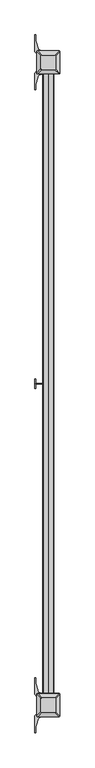
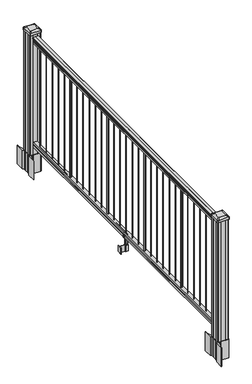
"""IFC4 building model written with IfcOpenShell, lengths in millimetres: railing geometry."""

from ifc_helpers import new_model, si_unit, point, frame, frame_2d, origin, origin_with_axes, place, context, project, spatial, polyline, circle_curve, trimmed, segment, composite_curve, outline, extrude, source, transform, mapped, element, save
from ifc_brep_helpers import plane_surface, extruded_surface, advanced_brep


def railing_23256998(model_context):
    return source(origin(), model_context, "Body", "SolidModel", [
        extrude(outline(composite_curve([segment(polyline([(938.4043297, 949.2470786), (940.292412, 949.2470786)]), True, "CONTINUOUS"), segment(trimmed(circle_curve(frame_2d((946.0506383, 942.9323253)), 8.545951), [point((940.292412, 949.2470786))], [point((941.8546695, 950.3772649))], False, "CARTESIAN"), True, "CONTINUOUS"), segment(trimmed(circle_curve(frame_2d((945.4636577, 943.3693883)), 7.882584), [point((941.8546695, 950.3772649))], [point((949.0726458, 950.3772649))], False, "CARTESIAN"), True, "CONTINUOUS"), segment(trimmed(circle_curve(frame_2d((951.3112527, 953.8827124)), 4.1592695), [point((949.0726458, 950.3772649))], [point((951.5060812, 949.7280085))], True, "CARTESIAN"), True, "CONTINUOUS"), segment(trimmed(circle_curve(frame_2d((951.2508864, 955.1700189)), 5.4479907), [point((951.5060812, 949.7280085))], [point((955.8362083, 952.2280085))], True, "CARTESIAN"), True, "CONTINUOUS"), segment(trimmed(circle_curve(frame_2d((955.833395, 953.9368605)), 1.7088543), [point((955.8362083, 952.2280085))], [point((957.5157972, 953.6373509))], True, "CARTESIAN"), True, "CONTINUOUS"), segment(trimmed(circle_curve(frame_2d((958.6205318, 952.3199604)), 1.7192895), [point((957.5157972, 953.6373509))], [point((958.6205318, 954.0392499))], False, "CARTESIAN"), True, "CONTINUOUS"), segment(polyline([(958.6205318, 954.0392499), (959.9608158, 954.0392498)]), True, "CONTINUOUS"), segment(trimmed(circle_curve(frame_2d((959.9608158, 952.4858026)), 1.5534472), [point((959.9608158, 954.0392498))], [point((961.514263, 952.4858026))], False, "CARTESIAN"), True, "CONTINUOUS"), segment(polyline([(961.514263, 952.4858026), (961.514263, 931.8142498), (961.514263, 911.1426971)]), True, "CONTINUOUS"), segment(trimmed(circle_curve(frame_2d((959.9608158, 911.1426971)), 1.5534472), [point((961.514263, 911.1426971))], [point((959.9608158, 909.5892498))], False, "CARTESIAN"), True, "CONTINUOUS"), segment(polyline([(959.9608158, 909.5892498), (958.6205318, 909.5892498)]), True, "CONTINUOUS"), segment(trimmed(circle_curve(frame_2d((958.6205318, 911.3085393)), 1.7192895), [point((958.6205318, 909.5892498))], [point((957.5157972, 909.9911488))], False, "CARTESIAN"), True, "CONTINUOUS"), segment(trimmed(circle_curve(frame_2d((955.833395, 909.6916392)), 1.7088543), [point((957.5157972, 909.9911488))], [point((955.8362083, 911.4004912))], True, "CARTESIAN"), True, "CONTINUOUS"), segment(trimmed(circle_curve(frame_2d((951.2508864, 908.4584807)), 5.4479907), [point((955.8362083, 911.4004912))], [point((951.5060812, 913.9004912))], True, "CARTESIAN"), True, "CONTINUOUS"), segment(trimmed(circle_curve(frame_2d((951.3112527, 909.7457873)), 4.1592695), [point((951.5060812, 913.9004912))], [point((949.0726458, 913.2512348))], True, "CARTESIAN"), True, "CONTINUOUS"), segment(trimmed(circle_curve(frame_2d((945.4636577, 920.2591114)), 7.882584), [point((949.0726458, 913.2512348))], [point((941.8546695, 913.2512348))], False, "CARTESIAN"), True, "CONTINUOUS"), segment(trimmed(circle_curve(frame_2d((946.0506383, 920.6961744)), 8.545951), [point((941.8546695, 913.2512348))], [point((940.292412, 914.3814211))], False, "CARTESIAN"), True, "CONTINUOUS"), segment(polyline([(940.292412, 914.3814211), (938.4043297, 914.3814211)]), True, "CONTINUOUS"), segment(trimmed(circle_curve(frame_2d((938.4043297, 915.6683355)), 1.2869144), [point((938.4043297, 914.3814211))], [point((938.4043297, 916.9552498))], False, "CARTESIAN"), True, "CONTINUOUS"), segment(polyline([(938.4043297, 916.9552498), (927.9048283, 916.9552498), (926.8888283, 915.9392498), (914.4, 915.9392498), (914.4, 947.6892498), (926.731013, 947.6892498), (927.747013, 946.6732498), (938.4043297, 946.6732498)]), True, "CONTINUOUS"), segment(trimmed(circle_curve(frame_2d((938.4043297, 947.9601642)), 1.2869144), [point((938.4043297, 946.6732498))], [point((938.4043297, 949.2470786))], False, "CARTESIAN"), True, "CONTINUOUS")], self_intersect=False)), frame((0.0, -86297.7191011, 0.0), z_axis=(0.0, 1.0, 0.0), x_axis=(0.0, 0.0, 1.0)), (0.0, 0.0, 1.0), 2438.4),
        extrude(outline(polyline([(76.0541976, 947.7267367), (77.3546183, 946.7107367), (87.7141717, 946.7107367), (89.0624492, 947.7267367), (101.5958781, 947.7267367), (101.5958781, 915.9767367), (89.0458024, 915.9767367), (87.6975248, 916.9927367), (77.3858283, 916.9927367), (76.0375508, 915.9767367), (63.5, 915.9767367), (63.5, 947.7267367), (76.0541976, 947.7267367)])), frame((0.0, -86297.7191011, 0.0), z_axis=(0.0, 1.0, 0.0), x_axis=(0.0, 0.0, 1.0)), (0.0, 0.0, 1.0), 2438.4),
        extrude(outline(composite_curve([segment(trimmed(circle_curve(frame_2d((931.8142498, -83922.8191011)), 1.5875), [point((933.4017498, -83922.8191011))], [point((931.8142498, -83924.4066011))], False, "CARTESIAN"), True, "CONTINUOUS"), segment(trimmed(circle_curve(frame_2d((931.8142498, -83922.8191011)), 1.5875), [point((931.8142498, -83924.4066011))], [point((930.2267498, -83922.8191011))], False, "CARTESIAN"), True, "CONTINUOUS"), segment(trimmed(circle_curve(frame_2d((931.8142498, -83922.8191011)), 1.5875), [point((930.2267498, -83922.8191011))], [point((931.8142498, -83921.2316011))], False, "CARTESIAN"), True, "CONTINUOUS"), segment(trimmed(circle_curve(frame_2d((931.8142498, -83922.8191011)), 1.5875), [point((931.8142498, -83921.2316011))], [point((933.4017498, -83922.8191011))], False, "CARTESIAN"), True, "CONTINUOUS")], self_intersect=False)), frame((0.0, 0.0, 101.5958781), z_axis=(0.0, 0.0, 1.0), x_axis=(1.0, 0.0, 0.0)), (0.0, 0.0, 1.0), 812.8041219),
        extrude(outline(composite_curve([segment(trimmed(circle_curve(frame_2d((931.8142498, -84005.3691011)), 1.5875), [point((933.4017498, -84005.3691011))], [point((931.8142498, -84006.9566011))], False, "CARTESIAN"), True, "CONTINUOUS"), segment(trimmed(circle_curve(frame_2d((931.8142498, -84005.3691011)), 1.5875), [point((931.8142498, -84006.9566011))], [point((930.2267498, -84005.3691011))], False, "CARTESIAN"), True, "CONTINUOUS"), segment(trimmed(circle_curve(frame_2d((931.8142498, -84005.3691011)), 1.5875), [point((930.2267498, -84005.3691011))], [point((931.8142498, -84003.7816011))], False, "CARTESIAN"), True, "CONTINUOUS"), segment(trimmed(circle_curve(frame_2d((931.8142498, -84005.3691011)), 1.5875), [point((931.8142498, -84003.7816011))], [point((933.4017498, -84005.3691011))], False, "CARTESIAN"), True, "CONTINUOUS")], self_intersect=False)), frame((0.0, 0.0, 101.5958781), z_axis=(0.0, 0.0, 1.0), x_axis=(1.0, 0.0, 0.0)), (0.0, 0.0, 1.0), 812.8041219),
        extrude(outline(composite_curve([segment(trimmed(circle_curve(frame_2d((931.8142498, -84087.9191011)), 1.5875), [point((933.4017498, -84087.9191011))], [point((931.8142498, -84089.5066011))], False, "CARTESIAN"), True, "CONTINUOUS"), segment(trimmed(circle_curve(frame_2d((931.8142498, -84087.9191011)), 1.5875), [point((931.8142498, -84089.5066011))], [point((930.2267498, -84087.9191011))], False, "CARTESIAN"), True, "CONTINUOUS"), segment(trimmed(circle_curve(frame_2d((931.8142498, -84087.9191011)), 1.5875), [point((930.2267498, -84087.9191011))], [point((931.8142498, -84086.3316011))], False, "CARTESIAN"), True, "CONTINUOUS"), segment(trimmed(circle_curve(frame_2d((931.8142498, -84087.9191011)), 1.5875), [point((931.8142498, -84086.3316011))], [point((933.4017498, -84087.9191011))], False, "CARTESIAN"), True, "CONTINUOUS")], self_intersect=False)), frame((0.0, 0.0, 101.5958781), z_axis=(0.0, 0.0, 1.0), x_axis=(1.0, 0.0, 0.0)), (0.0, 0.0, 1.0), 812.8041219),
        extrude(outline(composite_curve([segment(trimmed(circle_curve(frame_2d((931.8142498, -84170.4691011)), 1.5875), [point((933.4017498, -84170.4691011))], [point((931.8142498, -84172.0566011))], False, "CARTESIAN"), True, "CONTINUOUS"), segment(trimmed(circle_curve(frame_2d((931.8142498, -84170.4691011)), 1.5875), [point((931.8142498, -84172.0566011))], [point((930.2267498, -84170.4691011))], False, "CARTESIAN"), True, "CONTINUOUS"), segment(trimmed(circle_curve(frame_2d((931.8142498, -84170.4691011)), 1.5875), [point((930.2267498, -84170.4691011))], [point((931.8142498, -84168.8816011))], False, "CARTESIAN"), True, "CONTINUOUS"), segment(trimmed(circle_curve(frame_2d((931.8142498, -84170.4691011)), 1.5875), [point((931.8142498, -84168.8816011))], [point((933.4017498, -84170.4691011))], False, "CARTESIAN"), True, "CONTINUOUS")], self_intersect=False)), frame((0.0, 0.0, 101.5958781), z_axis=(0.0, 0.0, 1.0), x_axis=(1.0, 0.0, 0.0)), (0.0, 0.0, 1.0), 812.8041219),
        extrude(outline(composite_curve([segment(trimmed(circle_curve(frame_2d((931.8142498, -84253.0191011)), 1.5875), [point((933.4017498, -84253.0191011))], [point((931.8142498, -84254.6066011))], False, "CARTESIAN"), True, "CONTINUOUS"), segment(trimmed(circle_curve(frame_2d((931.8142498, -84253.0191011)), 1.5875), [point((931.8142498, -84254.6066011))], [point((930.2267498, -84253.0191011))], False, "CARTESIAN"), True, "CONTINUOUS"), segment(trimmed(circle_curve(frame_2d((931.8142498, -84253.0191011)), 1.5875), [point((930.2267498, -84253.0191011))], [point((931.8142498, -84251.4316011))], False, "CARTESIAN"), True, "CONTINUOUS"), segment(trimmed(circle_curve(frame_2d((931.8142498, -84253.0191011)), 1.5875), [point((931.8142498, -84251.4316011))], [point((933.4017498, -84253.0191011))], False, "CARTESIAN"), True, "CONTINUOUS")], self_intersect=False)), frame((0.0, 0.0, 101.5958781), z_axis=(0.0, 0.0, 1.0), x_axis=(1.0, 0.0, 0.0)), (0.0, 0.0, 1.0), 812.8041219),
        extrude(outline(composite_curve([segment(trimmed(circle_curve(frame_2d((931.8142498, -84335.5691011)), 6.35), [point((938.1642498, -84335.5691011))], [point((931.8142498, -84341.9191011))], False, "CARTESIAN"), True, "CONTINUOUS"), segment(trimmed(circle_curve(frame_2d((931.8142498, -84335.5691011)), 6.35), [point((931.8142498, -84341.9191011))], [point((925.4642498, -84335.5691011))], False, "CARTESIAN"), True, "CONTINUOUS"), segment(trimmed(circle_curve(frame_2d((931.8142498, -84335.5691011)), 6.35), [point((925.4642498, -84335.5691011))], [point((931.8142498, -84329.2191011))], False, "CARTESIAN"), True, "CONTINUOUS"), segment(trimmed(circle_curve(frame_2d((931.8142498, -84335.5691011)), 6.35), [point((931.8142498, -84329.2191011))], [point((938.1642498, -84335.5691011))], False, "CARTESIAN"), True, "CONTINUOUS")], self_intersect=False)), frame((0.0, 0.0, 101.5958781), z_axis=(0.0, 0.0, 1.0), x_axis=(1.0, 0.0, 0.0)), (0.0, 0.0, 1.0), 812.8041219),
        extrude(outline(composite_curve([segment(trimmed(circle_curve(frame_2d((931.8142498, -84418.1191011)), 1.5875), [point((933.4017498, -84418.1191011))], [point((931.8142498, -84419.7066011))], False, "CARTESIAN"), True, "CONTINUOUS"), segment(trimmed(circle_curve(frame_2d((931.8142498, -84418.1191011)), 1.5875), [point((931.8142498, -84419.7066011))], [point((930.2267498, -84418.1191011))], False, "CARTESIAN"), True, "CONTINUOUS"), segment(trimmed(circle_curve(frame_2d((931.8142498, -84418.1191011)), 1.5875), [point((930.2267498, -84418.1191011))], [point((931.8142498, -84416.5316011))], False, "CARTESIAN"), True, "CONTINUOUS"), segment(trimmed(circle_curve(frame_2d((931.8142498, -84418.1191011)), 1.5875), [point((931.8142498, -84416.5316011))], [point((933.4017498, -84418.1191011))], False, "CARTESIAN"), True, "CONTINUOUS")], self_intersect=False)), frame((0.0, 0.0, 101.5958781), z_axis=(0.0, 0.0, 1.0), x_axis=(1.0, 0.0, 0.0)), (0.0, 0.0, 1.0), 812.8041219),
        extrude(outline(composite_curve([segment(trimmed(circle_curve(frame_2d((931.8142498, -84500.6691011)), 1.5875), [point((933.4017498, -84500.6691011))], [point((931.8142498, -84502.2566011))], False, "CARTESIAN"), True, "CONTINUOUS"), segment(trimmed(circle_curve(frame_2d((931.8142498, -84500.6691011)), 1.5875), [point((931.8142498, -84502.2566011))], [point((930.2267498, -84500.6691011))], False, "CARTESIAN"), True, "CONTINUOUS"), segment(trimmed(circle_curve(frame_2d((931.8142498, -84500.6691011)), 1.5875), [point((930.2267498, -84500.6691011))], [point((931.8142498, -84499.0816011))], False, "CARTESIAN"), True, "CONTINUOUS"), segment(trimmed(circle_curve(frame_2d((931.8142498, -84500.6691011)), 1.5875), [point((931.8142498, -84499.0816011))], [point((933.4017498, -84500.6691011))], False, "CARTESIAN"), True, "CONTINUOUS")], self_intersect=False)), frame((0.0, 0.0, 101.5958781), z_axis=(0.0, 0.0, 1.0), x_axis=(1.0, 0.0, 0.0)), (0.0, 0.0, 1.0), 812.8041219),
        extrude(outline(composite_curve([segment(trimmed(circle_curve(frame_2d((931.8142498, -84583.2191011)), 1.5875), [point((933.4017498, -84583.2191011))], [point((931.8142498, -84584.8066011))], False, "CARTESIAN"), True, "CONTINUOUS"), segment(trimmed(circle_curve(frame_2d((931.8142498, -84583.2191011)), 1.5875), [point((931.8142498, -84584.8066011))], [point((930.2267498, -84583.2191011))], False, "CARTESIAN"), True, "CONTINUOUS"), segment(trimmed(circle_curve(frame_2d((931.8142498, -84583.2191011)), 1.5875), [point((930.2267498, -84583.2191011))], [point((931.8142498, -84581.6316011))], False, "CARTESIAN"), True, "CONTINUOUS"), segment(trimmed(circle_curve(frame_2d((931.8142498, -84583.2191011)), 1.5875), [point((931.8142498, -84581.6316011))], [point((933.4017498, -84583.2191011))], False, "CARTESIAN"), True, "CONTINUOUS")], self_intersect=False)), frame((0.0, 0.0, 101.5958781), z_axis=(0.0, 0.0, 1.0), x_axis=(1.0, 0.0, 0.0)), (0.0, 0.0, 1.0), 812.8041219),
        extrude(outline(composite_curve([segment(trimmed(circle_curve(frame_2d((931.8142498, -84665.7691011)), 1.5875), [point((933.4017498, -84665.7691011))], [point((931.8142498, -84667.3566011))], False, "CARTESIAN"), True, "CONTINUOUS"), segment(trimmed(circle_curve(frame_2d((931.8142498, -84665.7691011)), 1.5875), [point((931.8142498, -84667.3566011))], [point((930.2267498, -84665.7691011))], False, "CARTESIAN"), True, "CONTINUOUS"), segment(trimmed(circle_curve(frame_2d((931.8142498, -84665.7691011)), 1.5875), [point((930.2267498, -84665.7691011))], [point((931.8142498, -84664.1816011))], False, "CARTESIAN"), True, "CONTINUOUS"), segment(trimmed(circle_curve(frame_2d((931.8142498, -84665.7691011)), 1.5875), [point((931.8142498, -84664.1816011))], [point((933.4017498, -84665.7691011))], False, "CARTESIAN"), True, "CONTINUOUS")], self_intersect=False)), frame((0.0, 0.0, 101.5958781), z_axis=(0.0, 0.0, 1.0), x_axis=(1.0, 0.0, 0.0)), (0.0, 0.0, 1.0), 812.8041219),
        extrude(outline(composite_curve([segment(trimmed(circle_curve(frame_2d((931.8142498, -84748.3191011)), 1.5875), [point((933.4017498, -84748.3191011))], [point((931.8142498, -84749.9066011))], False, "CARTESIAN"), True, "CONTINUOUS"), segment(trimmed(circle_curve(frame_2d((931.8142498, -84748.3191011)), 1.5875), [point((931.8142498, -84749.9066011))], [point((930.2267498, -84748.3191011))], False, "CARTESIAN"), True, "CONTINUOUS"), segment(trimmed(circle_curve(frame_2d((931.8142498, -84748.3191011)), 1.5875), [point((930.2267498, -84748.3191011))], [point((931.8142498, -84746.7316011))], False, "CARTESIAN"), True, "CONTINUOUS"), segment(trimmed(circle_curve(frame_2d((931.8142498, -84748.3191011)), 1.5875), [point((931.8142498, -84746.7316011))], [point((933.4017498, -84748.3191011))], False, "CARTESIAN"), True, "CONTINUOUS")], self_intersect=False)), frame((0.0, 0.0, 101.5958781), z_axis=(0.0, 0.0, 1.0), x_axis=(1.0, 0.0, 0.0)), (0.0, 0.0, 1.0), 812.8041219),
        extrude(outline(composite_curve([segment(trimmed(circle_curve(frame_2d((931.8142498, -84830.8691011)), 6.35), [point((938.1642498, -84830.8691011))], [point((931.8142498, -84837.2191011))], False, "CARTESIAN"), True, "CONTINUOUS"), segment(trimmed(circle_curve(frame_2d((931.8142498, -84830.8691011)), 6.35), [point((931.8142498, -84837.2191011))], [point((925.4642498, -84830.8691011))], False, "CARTESIAN"), True, "CONTINUOUS"), segment(trimmed(circle_curve(frame_2d((931.8142498, -84830.8691011)), 6.35), [point((925.4642498, -84830.8691011))], [point((931.8142498, -84824.5191011))], False, "CARTESIAN"), True, "CONTINUOUS"), segment(trimmed(circle_curve(frame_2d((931.8142498, -84830.8691011)), 6.35), [point((931.8142498, -84824.5191011))], [point((938.1642498, -84830.8691011))], False, "CARTESIAN"), True, "CONTINUOUS")], self_intersect=False)), frame((0.0, 0.0, 101.5958781), z_axis=(0.0, 0.0, 1.0), x_axis=(1.0, 0.0, 0.0)), (0.0, 0.0, 1.0), 812.8041219),
        extrude(outline(composite_curve([segment(trimmed(circle_curve(frame_2d((931.8142498, -84913.4191011)), 1.5875), [point((933.4017498, -84913.4191011))], [point((931.8142498, -84915.0066011))], False, "CARTESIAN"), True, "CONTINUOUS"), segment(trimmed(circle_curve(frame_2d((931.8142498, -84913.4191011)), 1.5875), [point((931.8142498, -84915.0066011))], [point((930.2267498, -84913.4191011))], False, "CARTESIAN"), True, "CONTINUOUS"), segment(trimmed(circle_curve(frame_2d((931.8142498, -84913.4191011)), 1.5875), [point((930.2267498, -84913.4191011))], [point((931.8142498, -84911.8316011))], False, "CARTESIAN"), True, "CONTINUOUS"), segment(trimmed(circle_curve(frame_2d((931.8142498, -84913.4191011)), 1.5875), [point((931.8142498, -84911.8316011))], [point((933.4017498, -84913.4191011))], False, "CARTESIAN"), True, "CONTINUOUS")], self_intersect=False)), frame((0.0, 0.0, 101.5958781), z_axis=(0.0, 0.0, 1.0), x_axis=(1.0, 0.0, 0.0)), (0.0, 0.0, 1.0), 812.8041219),
        extrude(outline(composite_curve([segment(trimmed(circle_curve(frame_2d((931.8142498, -84995.9691011)), 1.5875), [point((933.4017498, -84995.9691011))], [point((931.8142498, -84997.5566011))], False, "CARTESIAN"), True, "CONTINUOUS"), segment(trimmed(circle_curve(frame_2d((931.8142498, -84995.9691011)), 1.5875), [point((931.8142498, -84997.5566011))], [point((930.2267498, -84995.9691011))], False, "CARTESIAN"), True, "CONTINUOUS"), segment(trimmed(circle_curve(frame_2d((931.8142498, -84995.9691011)), 1.5875), [point((930.2267498, -84995.9691011))], [point((931.8142498, -84994.3816011))], False, "CARTESIAN"), True, "CONTINUOUS"), segment(trimmed(circle_curve(frame_2d((931.8142498, -84995.9691011)), 1.5875), [point((931.8142498, -84994.3816011))], [point((933.4017498, -84995.9691011))], False, "CARTESIAN"), True, "CONTINUOUS")], self_intersect=False)), frame((0.0, 0.0, 101.5958781), z_axis=(0.0, 0.0, 1.0), x_axis=(1.0, 0.0, 0.0)), (0.0, 0.0, 1.0), 812.8041219),
        extrude(outline(polyline([(921.1462501, -85079.7891011), (881.7762498, -85079.7891011), (881.7762498, -85077.2491011), (921.1462501, -85077.2491011), (921.1462501, -85079.7891011)])), frame((0.0, 0.0, -50.8), z_axis=(0.0, 0.0, 1.0), x_axis=(1.0, 0.0, 0.0)), (0.0, 0.0, 1.0), 50.8),
        extrude(outline(polyline([(881.7762498, -85097.5691011), (879.2362498, -85097.5691011), (879.2362498, -85059.4691011), (881.7762498, -85059.4691011), (881.7762498, -85097.5691011)])), frame((0.0, 0.0, -50.8), z_axis=(0.0, 0.0, 1.0), x_axis=(1.0, 0.0, 0.0)), (0.0, 0.0, 1.0), 50.8),
        extrude(outline(polyline([(942.4822506, -85088.4251011), (921.1462501, -85088.4251011), (921.1462501, -85068.6131011), (942.4822506, -85068.6131011), (942.4822506, -85088.4251011)]), holes=[polyline([(939.1802505, -85085.8851011), (939.1802505, -85071.1531011), (924.4482501, -85071.1531011), (924.4482501, -85085.8851011), (939.1802505, -85085.8851011)])]), frame((0.0, 0.0, -50.8), z_axis=(0.0, 0.0, 1.0), x_axis=(1.0, 0.0, 0.0)), (0.0, 0.0, 1.0), 50.8),
        extrude(outline(polyline([(88.7203979, 913.653251), (87.9583969, 912.89125), (61.4680023, 912.89125), (60.7060013, 913.653251), (60.7060013, 923.6862501), (59.9440012, 924.4482501), (-3.5559988, 924.4482501), (-3.5559988, 939.1802505), (59.9440012, 939.1802505), (60.7060013, 939.9422506), (60.7060013, 949.9752496), (61.4680023, 950.7372507), (87.9583969, 950.7372507), (88.7203979, 949.9752496), (88.7203979, 947.94325), (87.7043953, 946.9272502), (77.2686081, 946.9272502), (76.2526073, 947.94325), (64.262001, 947.94325), (63.5000019, 947.1812509), (63.5000019, 916.4472497), (64.262001, 915.6852506), (76.2526073, 915.6852506), (77.2686081, 916.7012504), (87.7043953, 916.7012504), (88.7203979, 915.6852506), (88.7203979, 913.653251)]), holes=[polyline([(60.7060013, 935.2432502), (59.9440012, 936.0052503), (3.9370031, 936.0052503), (3.1750031, 935.2432502), (3.1750031, 928.3852476), (3.9370003, 927.6232503), (59.9440012, 927.6232503), (60.7060013, 928.3852504), (60.7060013, 935.2432502)])]), frame((0.0, -85085.8851011, 0.0), z_axis=(0.0, 1.0, 0.0), x_axis=(0.0, 0.0, 1.0)), (0.0, 0.0, 1.0), 14.732),
        extrude(outline(composite_curve([segment(trimmed(circle_curve(frame_2d((931.8142498, -85078.5191011)), 1.5875), [point((933.4017498, -85078.5191011))], [point((931.8142498, -85080.1066011))], False, "CARTESIAN"), True, "CONTINUOUS"), segment(trimmed(circle_curve(frame_2d((931.8142498, -85078.5191011)), 1.5875), [point((931.8142498, -85080.1066011))], [point((930.2267498, -85078.5191011))], False, "CARTESIAN"), True, "CONTINUOUS"), segment(trimmed(circle_curve(frame_2d((931.8142498, -85078.5191011)), 1.5875), [point((930.2267498, -85078.5191011))], [point((931.8142498, -85076.9316011))], False, "CARTESIAN"), True, "CONTINUOUS"), segment(trimmed(circle_curve(frame_2d((931.8142498, -85078.5191011)), 1.5875), [point((931.8142498, -85076.9316011))], [point((933.4017498, -85078.5191011))], False, "CARTESIAN"), True, "CONTINUOUS")], self_intersect=False)), frame((0.0, 0.0, 101.5958781), z_axis=(0.0, 0.0, 1.0), x_axis=(1.0, 0.0, 0.0)), (0.0, 0.0, 1.0), 812.8041219),
        extrude(outline(composite_curve([segment(trimmed(circle_curve(frame_2d((931.8142498, -85161.0691011)), 1.5875), [point((933.4017498, -85161.0691011))], [point((931.8142498, -85162.6566011))], False, "CARTESIAN"), True, "CONTINUOUS"), segment(trimmed(circle_curve(frame_2d((931.8142498, -85161.0691011)), 1.5875), [point((931.8142498, -85162.6566011))], [point((930.2267498, -85161.0691011))], False, "CARTESIAN"), True, "CONTINUOUS"), segment(trimmed(circle_curve(frame_2d((931.8142498, -85161.0691011)), 1.5875), [point((930.2267498, -85161.0691011))], [point((931.8142498, -85159.4816011))], False, "CARTESIAN"), True, "CONTINUOUS"), segment(trimmed(circle_curve(frame_2d((931.8142498, -85161.0691011)), 1.5875), [point((931.8142498, -85159.4816011))], [point((933.4017498, -85161.0691011))], False, "CARTESIAN"), True, "CONTINUOUS")], self_intersect=False)), frame((0.0, 0.0, 101.5958781), z_axis=(0.0, 0.0, 1.0), x_axis=(1.0, 0.0, 0.0)), (0.0, 0.0, 1.0), 812.8041219),
        extrude(outline(composite_curve([segment(trimmed(circle_curve(frame_2d((931.8142498, -85243.6191011)), 1.5875), [point((933.4017498, -85243.6191011))], [point((931.8142498, -85245.2066011))], False, "CARTESIAN"), True, "CONTINUOUS"), segment(trimmed(circle_curve(frame_2d((931.8142498, -85243.6191011)), 1.5875), [point((931.8142498, -85245.2066011))], [point((930.2267498, -85243.6191011))], False, "CARTESIAN"), True, "CONTINUOUS"), segment(trimmed(circle_curve(frame_2d((931.8142498, -85243.6191011)), 1.5875), [point((930.2267498, -85243.6191011))], [point((931.8142498, -85242.0316011))], False, "CARTESIAN"), True, "CONTINUOUS"), segment(trimmed(circle_curve(frame_2d((931.8142498, -85243.6191011)), 1.5875), [point((931.8142498, -85242.0316011))], [point((933.4017498, -85243.6191011))], False, "CARTESIAN"), True, "CONTINUOUS")], self_intersect=False)), frame((0.0, 0.0, 101.5958781), z_axis=(0.0, 0.0, 1.0), x_axis=(1.0, 0.0, 0.0)), (0.0, 0.0, 1.0), 812.8041219),
        extrude(outline(composite_curve([segment(trimmed(circle_curve(frame_2d((931.8142498, -85326.1691011)), 6.35), [point((938.1642498, -85326.1691011))], [point((931.8142498, -85332.5191011))], False, "CARTESIAN"), True, "CONTINUOUS"), segment(trimmed(circle_curve(frame_2d((931.8142498, -85326.1691011)), 6.35), [point((931.8142498, -85332.5191011))], [point((925.4642498, -85326.1691011))], False, "CARTESIAN"), True, "CONTINUOUS"), segment(trimmed(circle_curve(frame_2d((931.8142498, -85326.1691011)), 6.35), [point((925.4642498, -85326.1691011))], [point((931.8142498, -85319.8191011))], False, "CARTESIAN"), True, "CONTINUOUS"), segment(trimmed(circle_curve(frame_2d((931.8142498, -85326.1691011)), 6.35), [point((931.8142498, -85319.8191011))], [point((938.1642498, -85326.1691011))], False, "CARTESIAN"), True, "CONTINUOUS")], self_intersect=False)), frame((0.0, 0.0, 101.5958781), z_axis=(0.0, 0.0, 1.0), x_axis=(1.0, 0.0, 0.0)), (0.0, 0.0, 1.0), 812.8041219),
        extrude(outline(composite_curve([segment(trimmed(circle_curve(frame_2d((931.8142498, -85408.7191011)), 1.5875), [point((933.4017498, -85408.7191011))], [point((931.8142498, -85410.3066011))], False, "CARTESIAN"), True, "CONTINUOUS"), segment(trimmed(circle_curve(frame_2d((931.8142498, -85408.7191011)), 1.5875), [point((931.8142498, -85410.3066011))], [point((930.2267498, -85408.7191011))], False, "CARTESIAN"), True, "CONTINUOUS"), segment(trimmed(circle_curve(frame_2d((931.8142498, -85408.7191011)), 1.5875), [point((930.2267498, -85408.7191011))], [point((931.8142498, -85407.1316011))], False, "CARTESIAN"), True, "CONTINUOUS"), segment(trimmed(circle_curve(frame_2d((931.8142498, -85408.7191011)), 1.5875), [point((931.8142498, -85407.1316011))], [point((933.4017498, -85408.7191011))], False, "CARTESIAN"), True, "CONTINUOUS")], self_intersect=False)), frame((0.0, 0.0, 101.5958781), z_axis=(0.0, 0.0, 1.0), x_axis=(1.0, 0.0, 0.0)), (0.0, 0.0, 1.0), 812.8041219),
        extrude(outline(composite_curve([segment(trimmed(circle_curve(frame_2d((931.8142498, -85491.2691011)), 1.5875), [point((933.4017498, -85491.2691011))], [point((931.8142498, -85492.8566011))], False, "CARTESIAN"), True, "CONTINUOUS"), segment(trimmed(circle_curve(frame_2d((931.8142498, -85491.2691011)), 1.5875), [point((931.8142498, -85492.8566011))], [point((930.2267498, -85491.2691011))], False, "CARTESIAN"), True, "CONTINUOUS"), segment(trimmed(circle_curve(frame_2d((931.8142498, -85491.2691011)), 1.5875), [point((930.2267498, -85491.2691011))], [point((931.8142498, -85489.6816011))], False, "CARTESIAN"), True, "CONTINUOUS"), segment(trimmed(circle_curve(frame_2d((931.8142498, -85491.2691011)), 1.5875), [point((931.8142498, -85489.6816011))], [point((933.4017498, -85491.2691011))], False, "CARTESIAN"), True, "CONTINUOUS")], self_intersect=False)), frame((0.0, 0.0, 101.5958781), z_axis=(0.0, 0.0, 1.0), x_axis=(1.0, 0.0, 0.0)), (0.0, 0.0, 1.0), 812.8041219),
        extrude(outline(composite_curve([segment(trimmed(circle_curve(frame_2d((931.8142498, -85573.8191011)), 1.5875), [point((933.4017498, -85573.8191011))], [point((931.8142498, -85575.4066011))], False, "CARTESIAN"), True, "CONTINUOUS"), segment(trimmed(circle_curve(frame_2d((931.8142498, -85573.8191011)), 1.5875), [point((931.8142498, -85575.4066011))], [point((930.2267498, -85573.8191011))], False, "CARTESIAN"), True, "CONTINUOUS"), segment(trimmed(circle_curve(frame_2d((931.8142498, -85573.8191011)), 1.5875), [point((930.2267498, -85573.8191011))], [point((931.8142498, -85572.2316011))], False, "CARTESIAN"), True, "CONTINUOUS"), segment(trimmed(circle_curve(frame_2d((931.8142498, -85573.8191011)), 1.5875), [point((931.8142498, -85572.2316011))], [point((933.4017498, -85573.8191011))], False, "CARTESIAN"), True, "CONTINUOUS")], self_intersect=False)), frame((0.0, 0.0, 101.5958781), z_axis=(0.0, 0.0, 1.0), x_axis=(1.0, 0.0, 0.0)), (0.0, 0.0, 1.0), 812.8041219),
        extrude(outline(composite_curve([segment(trimmed(circle_curve(frame_2d((931.8142498, -85656.3691011)), 1.5875), [point((933.4017498, -85656.3691011))], [point((931.8142498, -85657.9566011))], False, "CARTESIAN"), True, "CONTINUOUS"), segment(trimmed(circle_curve(frame_2d((931.8142498, -85656.3691011)), 1.5875), [point((931.8142498, -85657.9566011))], [point((930.2267498, -85656.3691011))], False, "CARTESIAN"), True, "CONTINUOUS"), segment(trimmed(circle_curve(frame_2d((931.8142498, -85656.3691011)), 1.5875), [point((930.2267498, -85656.3691011))], [point((931.8142498, -85654.7816011))], False, "CARTESIAN"), True, "CONTINUOUS"), segment(trimmed(circle_curve(frame_2d((931.8142498, -85656.3691011)), 1.5875), [point((931.8142498, -85654.7816011))], [point((933.4017498, -85656.3691011))], False, "CARTESIAN"), True, "CONTINUOUS")], self_intersect=False)), frame((0.0, 0.0, 101.5958781), z_axis=(0.0, 0.0, 1.0), x_axis=(1.0, 0.0, 0.0)), (0.0, 0.0, 1.0), 812.8041219),
        extrude(outline(composite_curve([segment(trimmed(circle_curve(frame_2d((931.8142498, -85738.9191011)), 1.5875), [point((933.4017498, -85738.9191011))], [point((931.8142498, -85740.5066011))], False, "CARTESIAN"), True, "CONTINUOUS"), segment(trimmed(circle_curve(frame_2d((931.8142498, -85738.9191011)), 1.5875), [point((931.8142498, -85740.5066011))], [point((930.2267498, -85738.9191011))], False, "CARTESIAN"), True, "CONTINUOUS"), segment(trimmed(circle_curve(frame_2d((931.8142498, -85738.9191011)), 1.5875), [point((930.2267498, -85738.9191011))], [point((931.8142498, -85737.3316011))], False, "CARTESIAN"), True, "CONTINUOUS"), segment(trimmed(circle_curve(frame_2d((931.8142498, -85738.9191011)), 1.5875), [point((931.8142498, -85737.3316011))], [point((933.4017498, -85738.9191011))], False, "CARTESIAN"), True, "CONTINUOUS")], self_intersect=False)), frame((0.0, 0.0, 101.5958781), z_axis=(0.0, 0.0, 1.0), x_axis=(1.0, 0.0, 0.0)), (0.0, 0.0, 1.0), 812.8041219),
        extrude(outline(composite_curve([segment(trimmed(circle_curve(frame_2d((931.8142498, -85821.4691011)), 6.35), [point((938.1642498, -85821.4691011))], [point((931.8142498, -85827.8191011))], False, "CARTESIAN"), True, "CONTINUOUS"), segment(trimmed(circle_curve(frame_2d((931.8142498, -85821.4691011)), 6.35), [point((931.8142498, -85827.8191011))], [point((925.4642498, -85821.4691011))], False, "CARTESIAN"), True, "CONTINUOUS"), segment(trimmed(circle_curve(frame_2d((931.8142498, -85821.4691011)), 6.35), [point((925.4642498, -85821.4691011))], [point((931.8142498, -85815.1191011))], False, "CARTESIAN"), True, "CONTINUOUS"), segment(trimmed(circle_curve(frame_2d((931.8142498, -85821.4691011)), 6.35), [point((931.8142498, -85815.1191011))], [point((938.1642498, -85821.4691011))], False, "CARTESIAN"), True, "CONTINUOUS")], self_intersect=False)), frame((0.0, 0.0, 101.5958781), z_axis=(0.0, 0.0, 1.0), x_axis=(1.0, 0.0, 0.0)), (0.0, 0.0, 1.0), 812.8041219),
        extrude(outline(composite_curve([segment(trimmed(circle_curve(frame_2d((931.8142498, -85904.0191011)), 1.5875), [point((933.4017498, -85904.0191011))], [point((931.8142498, -85905.6066011))], False, "CARTESIAN"), True, "CONTINUOUS"), segment(trimmed(circle_curve(frame_2d((931.8142498, -85904.0191011)), 1.5875), [point((931.8142498, -85905.6066011))], [point((930.2267498, -85904.0191011))], False, "CARTESIAN"), True, "CONTINUOUS"), segment(trimmed(circle_curve(frame_2d((931.8142498, -85904.0191011)), 1.5875), [point((930.2267498, -85904.0191011))], [point((931.8142498, -85902.4316011))], False, "CARTESIAN"), True, "CONTINUOUS"), segment(trimmed(circle_curve(frame_2d((931.8142498, -85904.0191011)), 1.5875), [point((931.8142498, -85902.4316011))], [point((933.4017498, -85904.0191011))], False, "CARTESIAN"), True, "CONTINUOUS")], self_intersect=False)), frame((0.0, 0.0, 101.5958781), z_axis=(0.0, 0.0, 1.0), x_axis=(1.0, 0.0, 0.0)), (0.0, 0.0, 1.0), 812.8041219),
        extrude(outline(composite_curve([segment(trimmed(circle_curve(frame_2d((931.8142498, -85986.5691011)), 1.5875), [point((933.4017498, -85986.5691011))], [point((931.8142498, -85988.1566011))], False, "CARTESIAN"), True, "CONTINUOUS"), segment(trimmed(circle_curve(frame_2d((931.8142498, -85986.5691011)), 1.5875), [point((931.8142498, -85988.1566011))], [point((930.2267498, -85986.5691011))], False, "CARTESIAN"), True, "CONTINUOUS"), segment(trimmed(circle_curve(frame_2d((931.8142498, -85986.5691011)), 1.5875), [point((930.2267498, -85986.5691011))], [point((931.8142498, -85984.9816011))], False, "CARTESIAN"), True, "CONTINUOUS"), segment(trimmed(circle_curve(frame_2d((931.8142498, -85986.5691011)), 1.5875), [point((931.8142498, -85984.9816011))], [point((933.4017498, -85986.5691011))], False, "CARTESIAN"), True, "CONTINUOUS")], self_intersect=False)), frame((0.0, 0.0, 101.5958781), z_axis=(0.0, 0.0, 1.0), x_axis=(1.0, 0.0, 0.0)), (0.0, 0.0, 1.0), 812.8041219),
        extrude(outline(composite_curve([segment(trimmed(circle_curve(frame_2d((931.8142498, -86069.1191011)), 1.5875), [point((933.4017498, -86069.1191011))], [point((931.8142498, -86070.7066011))], False, "CARTESIAN"), True, "CONTINUOUS"), segment(trimmed(circle_curve(frame_2d((931.8142498, -86069.1191011)), 1.5875), [point((931.8142498, -86070.7066011))], [point((930.2267498, -86069.1191011))], False, "CARTESIAN"), True, "CONTINUOUS"), segment(trimmed(circle_curve(frame_2d((931.8142498, -86069.1191011)), 1.5875), [point((930.2267498, -86069.1191011))], [point((931.8142498, -86067.5316011))], False, "CARTESIAN"), True, "CONTINUOUS"), segment(trimmed(circle_curve(frame_2d((931.8142498, -86069.1191011)), 1.5875), [point((931.8142498, -86067.5316011))], [point((933.4017498, -86069.1191011))], False, "CARTESIAN"), True, "CONTINUOUS")], self_intersect=False)), frame((0.0, 0.0, 101.5958781), z_axis=(0.0, 0.0, 1.0), x_axis=(1.0, 0.0, 0.0)), (0.0, 0.0, 1.0), 812.8041219),
        extrude(outline(composite_curve([segment(trimmed(circle_curve(frame_2d((931.8142498, -86151.6691011)), 1.5875), [point((933.4017498, -86151.6691011))], [point((931.8142498, -86153.2566011))], False, "CARTESIAN"), True, "CONTINUOUS"), segment(trimmed(circle_curve(frame_2d((931.8142498, -86151.6691011)), 1.5875), [point((931.8142498, -86153.2566011))], [point((930.2267498, -86151.6691011))], False, "CARTESIAN"), True, "CONTINUOUS"), segment(trimmed(circle_curve(frame_2d((931.8142498, -86151.6691011)), 1.5875), [point((930.2267498, -86151.6691011))], [point((931.8142498, -86150.0816011))], False, "CARTESIAN"), True, "CONTINUOUS"), segment(trimmed(circle_curve(frame_2d((931.8142498, -86151.6691011)), 1.5875), [point((931.8142498, -86150.0816011))], [point((933.4017498, -86151.6691011))], False, "CARTESIAN"), True, "CONTINUOUS")], self_intersect=False)), frame((0.0, 0.0, 101.5958781), z_axis=(0.0, 0.0, 1.0), x_axis=(1.0, 0.0, 0.0)), (0.0, 0.0, 1.0), 812.8041219),
        extrude(outline(composite_curve([segment(trimmed(circle_curve(frame_2d((931.8142498, -86234.2191011)), 1.5875), [point((933.4017498, -86234.2191011))], [point((931.8142498, -86235.8066011))], False, "CARTESIAN"), True, "CONTINUOUS"), segment(trimmed(circle_curve(frame_2d((931.8142498, -86234.2191011)), 1.5875), [point((931.8142498, -86235.8066011))], [point((930.2267498, -86234.2191011))], False, "CARTESIAN"), True, "CONTINUOUS"), segment(trimmed(circle_curve(frame_2d((931.8142498, -86234.2191011)), 1.5875), [point((930.2267498, -86234.2191011))], [point((931.8142498, -86232.6316011))], False, "CARTESIAN"), True, "CONTINUOUS"), segment(trimmed(circle_curve(frame_2d((931.8142498, -86234.2191011)), 1.5875), [point((931.8142498, -86232.6316011))], [point((933.4017498, -86234.2191011))], False, "CARTESIAN"), True, "CONTINUOUS")], self_intersect=False)), frame((0.0, 0.0, 101.5958781), z_axis=(0.0, 0.0, 1.0), x_axis=(1.0, 0.0, 0.0)), (0.0, 0.0, 1.0), 812.8041219),
        extrude(outline(composite_curve([segment(polyline([(974.5497498, -83835.303196), (976.1372498, -83836.065196), (976.1372498, -83858.8671241), (972.7642728, -83862.2401011), (911.304602, -83862.2401011), (911.304602, -83863.1608511), (905.9870581, -83863.1608511), (905.9870581, -83864.6151058), (900.9025284, -83864.6151058), (900.9025284, -83865.8991297), (899.2352561, -83865.8991297)]), True, "CONTINUOUS"), segment(trimmed(circle_curve(frame_2d((899.2352561, -83872.9585895)), 7.0594599), [point((899.2352561, -83865.8991297))], [point((892.4679933, -83870.9485828))], True, "CARTESIAN"), True, "CONTINUOUS"), segment(polyline([(892.4679933, -83870.9485828), (884.593799, -83897.4593119)]), True, "CONTINUOUS"), segment(trimmed(circle_curve(frame_2d((939.3783123, -83913.7313616)), 57.15), [point((884.593799, -83897.4593119))], [point((882.2283123, -83913.7313616))], True, "CARTESIAN"), True, "CONTINUOUS"), segment(polyline([(882.2283123, -83913.7313616), (882.2283123, -83925.7401011), (879.2283123, -83925.7401011), (879.2283123, -83860.6526011), (887.4912498, -83849.3143098), (887.4912498, -83836.065196), (889.0787498, -83835.303196), (889.0787498, -83800.5310063), (887.4912498, -83799.7690063), (887.4912498, -83786.5198925), (879.2283123, -83775.1816011), (879.2283123, -83710.0941011), (882.2283123, -83710.0941011), (882.2283123, -83722.1028407)]), True, "CONTINUOUS"), segment(trimmed(circle_curve(frame_2d((939.3783123, -83722.1028407)), 57.15), [point((882.2283123, -83722.1028407))], [point((884.593799, -83738.3748904))], True, "CARTESIAN"), True, "CONTINUOUS"), segment(polyline([(884.593799, -83738.3748904), (892.4679933, -83764.8856194)]), True, "CONTINUOUS"), segment(trimmed(circle_curve(frame_2d((899.2352561, -83762.8756128)), 7.0594599), [point((892.4679933, -83764.8856194))], [point((899.2352561, -83769.9350726))], True, "CARTESIAN"), True, "CONTINUOUS"), segment(polyline([(899.2352561, -83769.9350726), (900.9025284, -83769.9350726), (900.9025284, -83771.2190965), (905.9870581, -83771.2190965), (905.9870581, -83772.6733511), (911.304602, -83772.6733511), (911.304602, -83773.5941011), (972.7642728, -83773.5941011), (976.1372498, -83776.9670782), (976.1372498, -83799.7690063), (974.5497498, -83800.5310063), (974.5497498, -83835.303196)]), True, "CONTINUOUS")], self_intersect=False), holes=[polyline([(890.5392498, -83778.2296011), (890.5392498, -83857.6046011), (892.1267498, -83859.1921011), (929.0510325, -83859.1921011), (971.5017498, -83859.1921011), (973.0892498, -83857.6046011), (973.0892498, -83778.2296011), (971.5017498, -83776.6421011), (929.0510325, -83776.6421011), (892.1267498, -83776.6421011), (890.5392498, -83778.2296011)])]), frame((0.0, 0.0, -152.4), z_axis=(0.0, 0.0, 1.0), x_axis=(1.0, 0.0, 0.0)), (0.0, 0.0, 1.0), 152.4),
        advanced_brep(
        [(906.0173748, -83846.8889761, 1012.825), (957.6111248, -83846.8889761, 1012.825), (960.7861248, -83843.7139761, 1012.825), (960.7861248, -83792.1202261, 1012.825), (957.6111248, -83788.9452261, 1012.825), (906.0173748, -83788.9452261, 1012.825), (902.8423748, -83792.1202261, 1012.825), (902.8423748, -83843.7139761, 1012.825), (889.7454998, -83863.1608511, 1001.522), (886.5704998, -83859.9858511, 1001.522), (886.5704998, -83775.8483511, 1001.522), (889.7454998, -83772.6733511, 1001.522), (973.8829998, -83772.6733511, 1001.522), (977.0579998, -83775.8483511, 1001.522), (977.0579998, -83859.9858511, 1001.522), (973.8829998, -83863.1608511, 1001.522)],
        [
            (0, 1),
            (1, 2, circle_curve(frame((957.6111248, -83843.7139761, 1012.825), z_axis=(0.0, 0.0, 1.0), x_axis=(0.0, 1.0, 0.0)), 3.175)),
            (2, 3),
            (3, 4, circle_curve(frame((957.6111248, -83792.1202261, 1012.825), z_axis=(0.0, 0.0, 1.0), x_axis=(0.0, 1.0, 0.0)), 3.175)),
            (4, 5),
            (5, 6, circle_curve(frame((906.0173748, -83792.1202261, 1012.825), z_axis=(0.0, 0.0, 1.0), x_axis=(0.0, 1.0, 0.0)), 3.175)),
            (6, 7),
            (7, 0, circle_curve(frame((906.0173748, -83843.7139761, 1012.825), z_axis=(0.0, 0.0, 1.0), x_axis=(0.0, 1.0, 0.0)), 3.175)),
            (8, 9, circle_curve(frame((889.7454998, -83859.9858511, 1001.522), z_axis=(0.0, 0.0, -1.0), x_axis=(0.0, 1.0, 0.0)), 3.175)),
            (9, 10),
            (10, 11, circle_curve(frame((889.7454998, -83775.8483511, 1001.522), z_axis=(0.0, 0.0, -1.0), x_axis=(0.0, 1.0, 0.0)), 3.175)),
            (11, 12),
            (12, 13, circle_curve(frame((973.8829998, -83775.8483511, 1001.522), z_axis=(0.0, 0.0, -1.0), x_axis=(0.0, 1.0, 0.0)), 3.175)),
            (13, 14),
            (14, 15, circle_curve(frame((973.8829998, -83859.9858511, 1001.522), z_axis=(0.0, 0.0, -1.0), x_axis=(0.0, 1.0, 0.0)), 3.175)),
            (15, 8),
            (8, 0),
            (7, 9),
            (6, 10),
            (5, 11),
            (4, 12),
            (3, 13),
            (2, 14),
            (1, 15),
        ],
        [
            plane_surface(frame((931.8142498, -83817.9171011, 1012.825), z_axis=(0.0, 0.0, 1.0), x_axis=(-1.0, 0.0, 0.0))),
            plane_surface(frame((931.8142498, -83817.9171011, 1001.522), z_axis=(0.0, 0.0, -1.0), x_axis=(-1.0, 0.0, 0.0))),
            extruded_surface(trimmed(circle_curve(frame((906.0173748, -83843.7139761, 1012.825), z_axis=(0.0, 0.0, -1.0), x_axis=(0.0, 1.0, 0.0)), 3.175), [point((906.0173748, -83846.8889761, 1012.825))], [point((902.8423748, -83843.7139761, 1012.825))], True, "CARTESIAN"), (-16.271875000000023, -16.27187500000582, -11.302999999999997), 25.637972638869872),
            plane_surface(frame((886.5704998, -83817.9171011, 1001.522), z_axis=(-0.5705009161540779, 0.0, 0.8212969649690408), x_axis=(0.0, 1.0, 0.0))),
            extruded_surface(trimmed(circle_curve(frame((906.0173748, -83792.1202261, 1012.825), z_axis=(0.0, 0.0, -1.0), x_axis=(0.0, 1.0, 0.0)), 3.175), [point((902.8423748, -83792.1202261, 1012.825))], [point((906.0173748, -83788.9452261, 1012.825))], True, "CARTESIAN"), (-16.271875000000023, 16.27187500000582, -11.302999999999997), 25.637972638869872),
            plane_surface(frame((931.8142498, -83772.6733511, 1001.522), z_axis=(0.0, 0.5705009161540291, 0.8212969649690747), x_axis=(1.0, 0.0, 0.0))),
            extruded_surface(trimmed(circle_curve(frame((957.6111248, -83792.1202261, 1012.825), z_axis=(0.0, 0.0, -1.0), x_axis=(0.0, 1.0, 0.0)), 3.175), [point((957.6111248, -83788.9452261, 1012.825))], [point((960.7861248, -83792.1202261, 1012.825))], True, "CARTESIAN"), (16.271875000000023, 16.27187500000582, -11.302999999999997), 25.637972638869872),
            plane_surface(frame((977.0579998, -83817.9171011, 1001.522), z_axis=(0.5705009161540141, 0.0, 0.8212969649690851), x_axis=(0.0, -1.0, 0.0))),
            extruded_surface(trimmed(circle_curve(frame((957.6111248, -83843.7139761, 1012.825), z_axis=(0.0, 0.0, -1.0), x_axis=(0.0, 1.0, 0.0)), 3.175), [point((960.7861248, -83843.7139761, 1012.825))], [point((957.6111248, -83846.8889761, 1012.825))], True, "CARTESIAN"), (16.271875000000023, -16.27187500000582, -11.302999999999997), 25.637972638869872),
            plane_surface(frame((931.8142498, -83863.1608511, 1001.522), z_axis=(0.0, -0.570500916154034, 0.8212969649690713), x_axis=(-1.0, 0.0, 0.0))),
        ],
        [
            (0, [[1, 2, 3, 4, 5, 6, 7, 8]]),
            (1, [[9, 10, 11, 12, 13, 14, 15, 16]]),
            (2, [[17, -8, 18, -9]]),
            (3, [[-18, -7, 19, -10]]),
            (4, [[-19, -6, 20, -11]]),
            (5, [[-20, -5, 21, -12]]),
            (6, [[-21, -4, 22, -13]]),
            (7, [[-22, -3, 23, -14]]),
            (8, [[-23, -2, 24, -15]]),
            (9, [[-24, -1, -17, -16]]),
        ],
    ),
        extrude(outline(composite_curve([segment(trimmed(circle_curve(frame_2d((889.7454998, -83859.9858511)), 3.175), [point((889.7454998, -83863.1608511))], [point((886.5704998, -83859.9858511))], False, "CARTESIAN"), True, "CONTINUOUS"), segment(polyline([(886.5704998, -83859.9858511), (886.5704998, -83775.8483511)]), True, "CONTINUOUS"), segment(trimmed(circle_curve(frame_2d((889.7454998, -83775.8483511)), 3.175), [point((886.5704998, -83775.8483511))], [point((889.7454998, -83772.6733511))], False, "CARTESIAN"), True, "CONTINUOUS"), segment(polyline([(889.7454998, -83772.6733511), (973.8829998, -83772.6733511)]), True, "CONTINUOUS"), segment(trimmed(circle_curve(frame_2d((973.8829998, -83775.8483511)), 3.175), [point((973.8829998, -83772.6733511))], [point((977.0579998, -83775.8483511))], False, "CARTESIAN"), True, "CONTINUOUS"), segment(polyline([(977.0579998, -83775.8483511), (977.0579998, -83859.9858511)]), True, "CONTINUOUS"), segment(trimmed(circle_curve(frame_2d((973.8829998, -83859.9858511)), 3.175), [point((977.0579998, -83859.9858511))], [point((973.8829998, -83863.1608511))], False, "CARTESIAN"), True, "CONTINUOUS"), segment(polyline([(973.8829998, -83863.1608511), (889.7454998, -83863.1608511)]), True, "CONTINUOUS")], self_intersect=False)), frame((0.0, 0.0, 984.25), z_axis=(0.0, 0.0, 1.0), x_axis=(1.0, 0.0, 0.0)), (0.0, 0.0, 1.0), 17.272),
        extrude(outline(polyline([(892.1267498, -83859.1921011), (890.5392498, -83857.6046011), (890.5392498, -83837.9831011), (892.1267498, -83837.2211011), (892.1267498, -83798.6131011), (890.5392498, -83797.8511011), (890.5392498, -83778.2296011), (892.1267498, -83776.6421011), (911.7482498, -83776.6421011), (912.5102498, -83778.2296011), (951.1182498, -83778.2296011), (951.8802498, -83776.6421011), (971.5017498, -83776.6421011), (973.0892498, -83778.2296011), (973.0892498, -83797.8511011), (971.5017498, -83798.6131011), (971.5017498, -83837.2211011), (973.0892498, -83837.9831011), (973.0892498, -83857.6046011), (971.5017498, -83859.1921011), (951.8802498, -83859.1921011), (951.1182498, -83857.6046011), (912.5102498, -83857.6046011), (911.7482498, -83859.1921011), (892.1267498, -83859.1921011)])), origin_with_axes(), (0.0, 0.0, 1.0), 984.25),
        extrude(outline(composite_curve([segment(polyline([(974.5497498, -86356.507196), (976.1372498, -86357.269196), (976.1372498, -86380.0711241), (972.7642728, -86383.4441011), (911.304602, -86383.4441011), (911.304602, -86384.3648511), (905.9870581, -86384.3648511), (905.9870581, -86385.8191058), (900.9025284, -86385.8191058), (900.9025284, -86387.1031297), (899.2352561, -86387.1031297)]), True, "CONTINUOUS"), segment(trimmed(circle_curve(frame_2d((899.2352561, -86394.1625895)), 7.0594599), [point((899.2352561, -86387.1031297))], [point((892.4679933, -86392.1525828))], True, "CARTESIAN"), True, "CONTINUOUS"), segment(polyline([(892.4679933, -86392.1525828), (884.593799, -86418.6633119)]), True, "CONTINUOUS"), segment(trimmed(circle_curve(frame_2d((939.3783123, -86434.9353616)), 57.15), [point((884.593799, -86418.6633119))], [point((882.2283123, -86434.9353616))], True, "CARTESIAN"), True, "CONTINUOUS"), segment(polyline([(882.2283123, -86434.9353616), (882.2283123, -86446.9441011), (879.2283123, -86446.9441011), (879.2283123, -86381.8566011), (887.4912498, -86370.5183098), (887.4912498, -86357.269196), (889.0787498, -86356.507196), (889.0787498, -86321.7350063), (887.4912498, -86320.9730063), (887.4912498, -86307.7238925), (879.2283123, -86296.3856011), (879.2283123, -86231.2981011), (882.2283123, -86231.2981011), (882.2283123, -86243.3068407)]), True, "CONTINUOUS"), segment(trimmed(circle_curve(frame_2d((939.3783123, -86243.3068407)), 57.15), [point((882.2283123, -86243.3068407))], [point((884.593799, -86259.5788904))], True, "CARTESIAN"), True, "CONTINUOUS"), segment(polyline([(884.593799, -86259.5788904), (892.4679933, -86286.0896194)]), True, "CONTINUOUS"), segment(trimmed(circle_curve(frame_2d((899.2352561, -86284.0796128)), 7.0594599), [point((892.4679933, -86286.0896194))], [point((899.2352561, -86291.1390726))], True, "CARTESIAN"), True, "CONTINUOUS"), segment(polyline([(899.2352561, -86291.1390726), (900.9025284, -86291.1390726), (900.9025284, -86292.4230965), (905.9870581, -86292.4230965), (905.9870581, -86293.8773511), (911.304602, -86293.8773511), (911.304602, -86294.7981011), (972.7642728, -86294.7981011), (976.1372498, -86298.1710782), (976.1372498, -86320.9730063), (974.5497498, -86321.7350063), (974.5497498, -86356.507196)]), True, "CONTINUOUS")], self_intersect=False), holes=[polyline([(890.5392498, -86299.4336011), (890.5392498, -86378.8086011), (892.1267498, -86380.3961011), (929.0510325, -86380.3961011), (971.5017498, -86380.3961011), (973.0892498, -86378.8086011), (973.0892498, -86299.4336011), (971.5017498, -86297.8461011), (929.0510325, -86297.8461011), (892.1267498, -86297.8461011), (890.5392498, -86299.4336011)])]), frame((0.0, 0.0, -152.4), z_axis=(0.0, 0.0, 1.0), x_axis=(1.0, 0.0, 0.0)), (0.0, 0.0, 1.0), 152.4),
        advanced_brep(
        [(906.0173748, -86368.0929761, 1012.825), (957.6111248, -86368.0929761, 1012.825), (960.7861248, -86364.9179761, 1012.825), (960.7861248, -86313.3242261, 1012.825), (957.6111248, -86310.1492261, 1012.825), (906.0173748, -86310.1492261, 1012.825), (902.8423748, -86313.3242261, 1012.825), (902.8423748, -86364.9179761, 1012.825), (889.7454998, -86384.3648511, 1001.522), (886.5704998, -86381.1898511, 1001.522), (886.5704998, -86297.0523511, 1001.522), (889.7454998, -86293.8773511, 1001.522), (973.8829998, -86293.8773511, 1001.522), (977.0579998, -86297.0523511, 1001.522), (977.0579998, -86381.1898511, 1001.522), (973.8829998, -86384.3648511, 1001.522)],
        [
            (0, 1),
            (1, 2, circle_curve(frame((957.6111248, -86364.9179761, 1012.825), z_axis=(0.0, 0.0, 1.0), x_axis=(0.0, 1.0, 0.0)), 3.175)),
            (2, 3),
            (3, 4, circle_curve(frame((957.6111248, -86313.3242261, 1012.825), z_axis=(0.0, 0.0, 1.0), x_axis=(0.0, 1.0, 0.0)), 3.175)),
            (4, 5),
            (5, 6, circle_curve(frame((906.0173748, -86313.3242261, 1012.825), z_axis=(0.0, 0.0, 1.0), x_axis=(0.0, 1.0, 0.0)), 3.175)),
            (6, 7),
            (7, 0, circle_curve(frame((906.0173748, -86364.9179761, 1012.825), z_axis=(0.0, 0.0, 1.0), x_axis=(0.0, 1.0, 0.0)), 3.175)),
            (8, 9, circle_curve(frame((889.7454998, -86381.1898511, 1001.522), z_axis=(0.0, 0.0, -1.0), x_axis=(0.0, 1.0, 0.0)), 3.175)),
            (9, 10),
            (10, 11, circle_curve(frame((889.7454998, -86297.0523511, 1001.522), z_axis=(0.0, 0.0, -1.0), x_axis=(0.0, 1.0, 0.0)), 3.175)),
            (11, 12),
            (12, 13, circle_curve(frame((973.8829998, -86297.0523511, 1001.522), z_axis=(0.0, 0.0, -1.0), x_axis=(0.0, 1.0, 0.0)), 3.175)),
            (13, 14),
            (14, 15, circle_curve(frame((973.8829998, -86381.1898511, 1001.522), z_axis=(0.0, 0.0, -1.0), x_axis=(0.0, 1.0, 0.0)), 3.175)),
            (15, 8),
            (8, 0),
            (7, 9),
            (6, 10),
            (5, 11),
            (4, 12),
            (3, 13),
            (2, 14),
            (1, 15),
        ],
        [
            plane_surface(frame((931.8142498, -86339.1211011, 1012.825), z_axis=(0.0, 0.0, 1.0), x_axis=(-1.0, 0.0, 0.0))),
            plane_surface(frame((931.8142498, -86339.1211011, 1001.522), z_axis=(0.0, 0.0, -1.0), x_axis=(-1.0, 0.0, 0.0))),
            extruded_surface(trimmed(circle_curve(frame((906.0173748, -86364.9179761, 1012.825), z_axis=(0.0, 0.0, -1.0), x_axis=(0.0, 1.0, 0.0)), 3.175), [point((906.0173748, -86368.0929761, 1012.825))], [point((902.8423748, -86364.9179761, 1012.825))], True, "CARTESIAN"), (-16.271875000000023, -16.27187500000582, -11.302999999999997), 25.637972638869872),
            plane_surface(frame((886.5704998, -86339.1211011, 1001.522), z_axis=(-0.5705009161540779, 0.0, 0.8212969649690408), x_axis=(0.0, 1.0, 0.0))),
            extruded_surface(trimmed(circle_curve(frame((906.0173748, -86313.3242261, 1012.825), z_axis=(0.0, 0.0, -1.0), x_axis=(0.0, 1.0, 0.0)), 3.175), [point((902.8423748, -86313.3242261, 1012.825))], [point((906.0173748, -86310.1492261, 1012.825))], True, "CARTESIAN"), (-16.271875000000023, 16.27187499999127, -11.302999999999997), 25.637972638860635),
            plane_surface(frame((931.8142498, -86293.8773511, 1001.522), z_axis=(0.0, 0.5705009161540291, 0.8212969649690747), x_axis=(1.0, 0.0, 0.0))),
            extruded_surface(trimmed(circle_curve(frame((957.6111248, -86313.3242261, 1012.825), z_axis=(0.0, 0.0, -1.0), x_axis=(0.0, 1.0, 0.0)), 3.175), [point((957.6111248, -86310.1492261, 1012.825))], [point((960.7861248, -86313.3242261, 1012.825))], True, "CARTESIAN"), (16.271875000000023, 16.27187499999127, -11.302999999999997), 25.637972638860635),
            plane_surface(frame((977.0579998, -86339.1211011, 1001.522), z_axis=(0.5705009161540141, 0.0, 0.8212969649690851), x_axis=(0.0, -1.0, 0.0))),
            extruded_surface(trimmed(circle_curve(frame((957.6111248, -86364.9179761, 1012.825), z_axis=(0.0, 0.0, -1.0), x_axis=(0.0, 1.0, 0.0)), 3.175), [point((960.7861248, -86364.9179761, 1012.825))], [point((957.6111248, -86368.0929761, 1012.825))], True, "CARTESIAN"), (16.271875000000023, -16.27187500000582, -11.302999999999997), 25.637972638869872),
            plane_surface(frame((931.8142498, -86384.3648511, 1001.522), z_axis=(0.0, -0.570500916154034, 0.8212969649690713), x_axis=(-1.0, 0.0, 0.0))),
        ],
        [
            (0, [[1, 2, 3, 4, 5, 6, 7, 8]]),
            (1, [[9, 10, 11, 12, 13, 14, 15, 16]]),
            (2, [[17, -8, 18, -9]]),
            (3, [[-18, -7, 19, -10]]),
            (4, [[-19, -6, 20, -11]]),
            (5, [[-20, -5, 21, -12]]),
            (6, [[-21, -4, 22, -13]]),
            (7, [[-22, -3, 23, -14]]),
            (8, [[-23, -2, 24, -15]]),
            (9, [[-24, -1, -17, -16]]),
        ],
    ),
        extrude(outline(composite_curve([segment(trimmed(circle_curve(frame_2d((889.7454998, -86381.1898511)), 3.175), [point((889.7454998, -86384.3648511))], [point((886.5704998, -86381.1898511))], False, "CARTESIAN"), True, "CONTINUOUS"), segment(polyline([(886.5704998, -86381.1898511), (886.5704998, -86297.0523511)]), True, "CONTINUOUS"), segment(trimmed(circle_curve(frame_2d((889.7454998, -86297.0523511)), 3.175), [point((886.5704998, -86297.0523511))], [point((889.7454998, -86293.8773511))], False, "CARTESIAN"), True, "CONTINUOUS"), segment(polyline([(889.7454998, -86293.8773511), (973.8829998, -86293.8773511)]), True, "CONTINUOUS"), segment(trimmed(circle_curve(frame_2d((973.8829998, -86297.0523511)), 3.175), [point((973.8829998, -86293.8773511))], [point((977.0579998, -86297.0523511))], False, "CARTESIAN"), True, "CONTINUOUS"), segment(polyline([(977.0579998, -86297.0523511), (977.0579998, -86381.1898511)]), True, "CONTINUOUS"), segment(trimmed(circle_curve(frame_2d((973.8829998, -86381.1898511)), 3.175), [point((977.0579998, -86381.1898511))], [point((973.8829998, -86384.3648511))], False, "CARTESIAN"), True, "CONTINUOUS"), segment(polyline([(973.8829998, -86384.3648511), (889.7454998, -86384.3648511)]), True, "CONTINUOUS")], self_intersect=False)), frame((0.0, 0.0, 984.25), z_axis=(0.0, 0.0, 1.0), x_axis=(1.0, 0.0, 0.0)), (0.0, 0.0, 1.0), 17.272),
        extrude(outline(polyline([(892.1267498, -86380.3961011), (890.5392498, -86378.8086011), (890.5392498, -86359.1871011), (892.1267498, -86358.4251011), (892.1267498, -86319.8171011), (890.5392498, -86319.0551011), (890.5392498, -86299.4336011), (892.1267498, -86297.8461011), (911.7482498, -86297.8461011), (912.5102498, -86299.4336011), (951.1182498, -86299.4336011), (951.8802498, -86297.8461011), (971.5017498, -86297.8461011), (973.0892498, -86299.4336011), (973.0892498, -86319.0551011), (971.5017498, -86319.8171011), (971.5017498, -86358.4251011), (973.0892498, -86359.1871011), (973.0892498, -86378.8086011), (971.5017498, -86380.3961011), (951.8802498, -86380.3961011), (951.1182498, -86378.8086011), (912.5102498, -86378.8086011), (911.7482498, -86380.3961011), (892.1267498, -86380.3961011)])), origin_with_axes(), (0.0, 0.0, 1.0), 984.25),
    ])


if __name__ == "__main__":
    model = new_model("IFC4")
    model_context = context("Model", 3, world=origin())
    ifc_project = project(units=[si_unit("LENGTHUNIT", "METRE", prefix="MILLI")], contexts=[model_context])
    site = spatial("IfcSite", under=ifc_project)
    building = spatial("IfcBuilding", under=site)
    placement = place(None, origin())
    railing_shape = railing_23256998(model_context)
    element("IfcRailing", 1, at=placement, inside=building, context=model_context, shape_type="MappedRepresentation", body=[
        mapped(railing_shape, transform((0.0, 0.0, 0.0), x_axis=(1.0, 0.0, 0.0), y_axis=(0.0, 1.0, 0.0), z_axis=(0.0, 0.0, 1.0))),
    ])
    save(model, "model.ifc")
